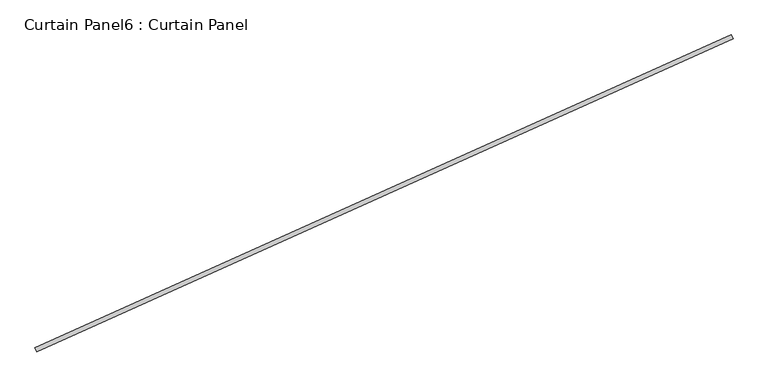
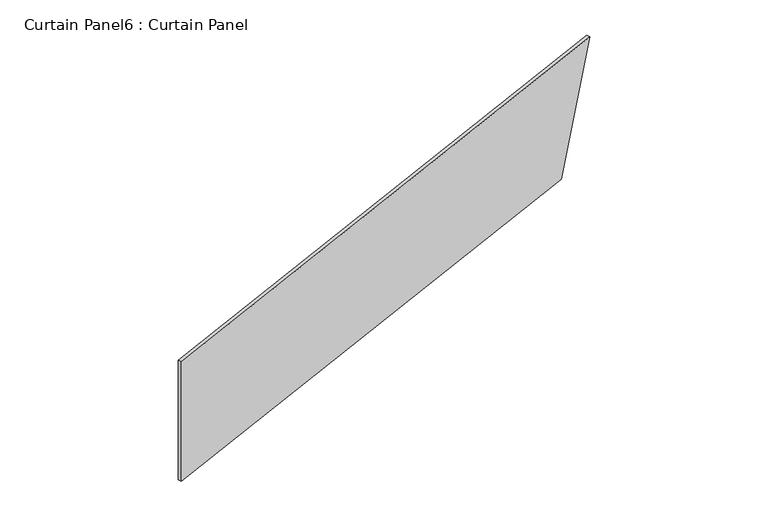
"""IFC4 building model written with IfcOpenShell, lengths in millimetres: plate geometry, Curtain Panel6 : Curtain Panel."""

from ifc_helpers import new_model, si_unit, frame, origin, place, context, project, spatial, polyline, outline, extrude, source, transform, mapped, element, save


def curtain_panel6_curtain_panel_3b29f2a0(model_context):
    return source(origin(), model_context, "Body", "SweptSolid", [
        extrude(outline(polyline([(0.0, 0.0), (0.0, -4073.4369313), (-914.4, -4382.1145359), (-914.4, 0.0), (0.0, 0.0)])), frame((36557.5770857, -12836.3437505, 10058.4), z_axis=(-0.4102319712783583, 0.9119812112873117, 0.0), x_axis=(0.0, 0.0, -1.0)), (0.0, 0.0, 1.0), 25.4),
    ])


if __name__ == "__main__":
    model = new_model("IFC4")
    model_context = context("Model", 3, world=origin())
    ifc_project = project(units=[si_unit("LENGTHUNIT", "METRE", prefix="MILLI")], contexts=[model_context])
    site = spatial("IfcSite", under=ifc_project)
    building = spatial("IfcBuilding", under=site)
    placement = place(None, origin())
    curtain_panel6_curtain_panel_shape = curtain_panel6_curtain_panel_3b29f2a0(model_context)
    element("IfcPlate", 1, ObjectType="Curtain Panel6 : Curtain Panel", at=placement, inside=building, context=model_context, shape_type="MappedRepresentation", body=[
        mapped(curtain_panel6_curtain_panel_shape, transform((0.0, 0.0, 0.0), x_axis=(1.0, 0.0, 0.0), y_axis=(0.0, 1.0, 0.0), z_axis=(0.0, 0.0, 1.0))),
    ])
    save(model, "model.ifc")
